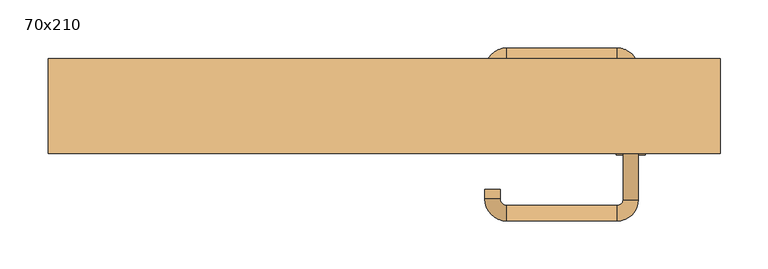
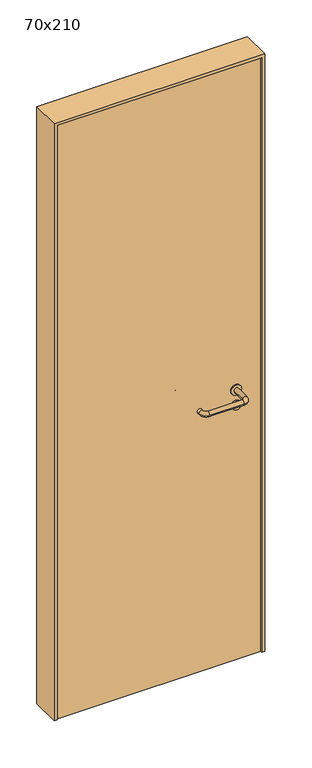
"""IFC4 building model written with IfcOpenShell, lengths in millimetres: door geometry, 70x210."""

from ifc_helpers import new_model, si_unit, point, frame, frame_2d, origin, origin_with_axes, place, context, project, spatial, polyline, circle_curve, ellipse_curve, trimmed, segment, composite_curve, outline, extrude, source, transform, mapped, element, save
from ifc_brep_helpers import plane_surface, cylinder_surface, revolved_surface, advanced_brep


def door_70x210_8dd867a0(model_context):
    return source(origin(), model_context, "Body", "SolidModel", [
        extrude(outline(composite_curve([segment(trimmed(circle_curve(frame_2d((897.3605726, 257.0)), 15.0), [point((897.3605726, 272.0))], [point((897.3605726, 242.0))], False, "CARTESIAN"), True, "CONTINUOUS"), segment(trimmed(circle_curve(frame_2d((897.3605726, 257.0)), 15.0), [point((897.3605726, 242.0))], [point((897.3605726, 272.0))], False, "CARTESIAN"), True, "CONTINUOUS")], self_intersect=False), holes=[composite_curve([segment(trimmed(circle_curve(frame_2d((892.5833211, 256.9398032)), 2.0), [point((892.5833211, 258.9398032))], [point((892.5833211, 254.9398032))], True, "CARTESIAN"), True, "CONTINUOUS"), segment(polyline([(892.5833211, 254.9398032), (902.5833211, 254.9398032)]), True, "CONTINUOUS"), segment(trimmed(circle_curve(frame_2d((902.5833211, 256.9398032)), 2.0), [point((902.5833211, 254.9398032))], [point((902.5833211, 258.9398032))], True, "CARTESIAN"), True, "CONTINUOUS"), segment(polyline([(902.5833211, 258.9398032), (892.5833211, 258.9398032)]), True, "CONTINUOUS")], self_intersect=False)]), frame((0.0, -15.0, 0.0), z_axis=(0.0, 1.0, 0.0), x_axis=(0.0, 0.0, 1.0)), (0.0, 0.0, 1.0), 6.35),
        extrude(outline(composite_curve([segment(trimmed(circle_curve(frame_2d((950.0, 257.0)), 17.526), [point((950.0, 274.526))], [point((950.0, 239.474))], False, "CARTESIAN"), True, "CONTINUOUS"), segment(trimmed(circle_curve(frame_2d((950.0, 257.0)), 17.526), [point((950.0, 239.474))], [point((950.0, 274.526))], False, "CARTESIAN"), True, "CONTINUOUS")], self_intersect=False)), frame((0.0, -15.0, 0.0), z_axis=(0.0, 1.0, 0.0), x_axis=(0.0, 0.0, 1.0)), (0.0, 0.0, 1.0), 3.175),
        advanced_brep(
        [(265.0, -15.0, 950.0), (249.0, -15.0, 950.0), (265.0, 38.0, 950.0), (249.0, 38.0, 950.0), (242.8578644, 44.1421356, 950.0), (242.8578644, 60.1421356, 950.0), (127.8578644, 60.1421356, 950.0), (127.8578644, 44.1421356, 950.0), (121.008622, 37.2928932, 950.0), (105.008622, 37.2928932, 950.0), (105.008622, 27.2928932, 950.0), (121.008622, 27.2928932, 950.0)],
        [
            (0, 1, circle_curve(frame((257.0, -15.0, 950.0), z_axis=(0.0, -1.0, 0.0), x_axis=(-1.0, 0.0, 0.0)), 8.0)),
            (1, 0, circle_curve(frame((257.0, -15.0, 950.0), z_axis=(0.0, -1.0, 0.0), x_axis=(-1.0, 0.0, 0.0)), 8.0)),
            (0, 2),
            (2, 3, circle_curve(frame((257.0, 38.0, 950.0), z_axis=(0.0, -1.0, 0.0), x_axis=(-1.0, 0.0, 0.0)), 8.0)),
            (3, 1),
            (3, 2, circle_curve(frame((257.0, 38.0, 950.0), z_axis=(0.0, -1.0, 0.0), x_axis=(-1.0, 0.0, 0.0)), 8.0)),
            (4, 3, circle_curve(frame((242.8578644, 38.0, 950.0), z_axis=(0.0, 0.0, -1.0), x_axis=(1.0, 0.0, 0.0)), 6.1421356)),
            (2, 5, circle_curve(frame((242.8578644, 38.0, 950.0), z_axis=(0.0, 0.0, 1.0), x_axis=(1.0, 0.0, 0.0)), 22.1421356)),
            (5, 4, circle_curve(frame((242.8578644, 52.1421356, 950.0), z_axis=(1.0, 0.0, 0.0), x_axis=(0.0, -1.0, 0.0)), 8.0)),
            (4, 5, circle_curve(frame((242.8578644, 52.1421356, 950.0), z_axis=(1.0, 0.0, 0.0), x_axis=(0.0, -1.0, 0.0)), 8.0)),
            (5, 6),
            (6, 7, circle_curve(frame((127.8578644, 52.1421356, 950.0), z_axis=(1.0, 0.0, 0.0), x_axis=(0.0, -1.0, 0.0)), 8.0)),
            (7, 4),
            (7, 6, circle_curve(frame((127.8578644, 52.1421356, 950.0), z_axis=(1.0, 0.0, 0.0), x_axis=(0.0, -1.0, 0.0)), 8.0)),
            (8, 7, circle_curve(frame((127.8578644, 37.2928932, 950.0), z_axis=(0.0, 0.0, -1.0), x_axis=(0.0, 1.0, 0.0)), 6.8492424)),
            (6, 9, circle_curve(frame((127.8578644, 37.2928932, 950.0), z_axis=(0.0, 0.0, 1.0), x_axis=(0.0, 1.0, 0.0)), 22.8492424)),
            (9, 8, circle_curve(frame((113.008622, 37.2928932, 950.0), z_axis=(0.0, 1.0, 0.0), x_axis=(1.0, 0.0, 0.0)), 8.0)),
            (8, 9, circle_curve(frame((113.008622, 37.2928932, 950.0), z_axis=(0.0, 1.0, 0.0), x_axis=(1.0, 0.0, 0.0)), 8.0)),
            (10, 11, circle_curve(frame((113.008622, 27.2928932, 950.0), z_axis=(0.0, -1.0, 0.0), x_axis=(1.0, 0.0, 0.0)), 8.0)),
            (11, 10, circle_curve(frame((113.008622, 27.2928932, 950.0), z_axis=(0.0, -1.0, 0.0), x_axis=(1.0, 0.0, 0.0)), 8.0)),
            (9, 10),
            (11, 8),
        ],
        [
            plane_surface(frame((257.0, -15.0, 0.0), z_axis=(0.0, -1.0, 0.0), x_axis=(0.0, 0.0, 1.0))),
            cylinder_surface(frame((257.0, -15.0, 950.0), z_axis=(0.0, -1.0, 0.0), x_axis=(-1.0, 0.0, 0.0)), 8.0),
            revolved_surface(trimmed(ellipse_curve(frame((257.0, 38.0, 950.0), z_axis=(0.0, -1.0, 0.0), x_axis=(-1.0, 0.0, 0.0)), 8.0, 8.0), [point((265.0, 38.0, 950.0))], [point((249.0, 38.0, 950.0))], True, "CARTESIAN"), (242.8578644, 38.0, 0.0), (0.0, 0.0, 1.0)),
            revolved_surface(trimmed(ellipse_curve(frame((257.0, 38.0, 950.0), z_axis=(0.0, -1.0, 0.0), x_axis=(-1.0, 0.0, 0.0)), 8.0, 8.0), [point((249.0, 38.0, 950.0))], [point((265.0, 38.0, 950.0))], True, "CARTESIAN"), (242.8578644, 38.0, 0.0), (0.0, 0.0, 1.0)),
            cylinder_surface(frame((242.8578644, 52.1421356, 950.0), z_axis=(1.0, 0.0, 0.0), x_axis=(0.0, -1.0, 0.0)), 8.0),
            revolved_surface(trimmed(ellipse_curve(frame((127.8578644, 52.1421356, 950.0), z_axis=(1.0, 0.0, 0.0), x_axis=(0.0, -1.0, 0.0)), 8.0, 8.0), [point((127.8578644, 60.1421356, 950.0))], [point((127.8578644, 44.1421356, 950.0))], True, "CARTESIAN"), (127.8578644, 37.2928932, 0.0), (0.0, 0.0, 1.0)),
            revolved_surface(trimmed(ellipse_curve(frame((127.8578644, 52.1421356, 950.0), z_axis=(1.0, 0.0, 0.0), x_axis=(0.0, -1.0, 0.0)), 8.0, 8.0), [point((127.8578644, 44.1421356, 950.0))], [point((127.8578644, 60.1421356, 950.0))], True, "CARTESIAN"), (127.8578644, 37.2928932, 0.0), (0.0, 0.0, 1.0)),
            plane_surface(frame((113.008622, 27.2928932, 0.0), z_axis=(0.0, -1.0, 0.0), x_axis=(0.0, 0.0, 1.0))),
            cylinder_surface(frame((113.008622, 37.2928932, 950.0), z_axis=(0.0, 1.0, 0.0), x_axis=(1.0, 0.0, 0.0)), 8.0),
        ],
        [
            (0, [[1, 2]]),
            (1, [[-1, 3, 4, 5]]),
            (1, [[-2, -5, 6, -3]]),
            (2, [[7, -4, 8, 9]]),
            (3, [[-8, -6, -7, 10]]),
            (4, [[-9, 11, 12, 13]]),
            (4, [[-10, -13, 14, -11]]),
            (5, [[15, -12, 16, 17]]),
            (6, [[-16, -14, -15, 18]]),
            (7, [[19, 20]]),
            (8, [[-17, 21, -20, 22]]),
            (8, [[-18, -22, -19, -21]]),
        ],
    ),
        extrude(outline(composite_curve([segment(trimmed(circle_curve(frame_2d((0.0, 15.0)), 15.0), [point((0.0, 30.0))], [point((0.0, 0.0))], False, "CARTESIAN"), True, "CONTINUOUS"), segment(trimmed(circle_curve(frame_2d((0.0, 15.0)), 15.0), [point((0.0, 0.0))], [point((0.0, 30.0))], False, "CARTESIAN"), True, "CONTINUOUS")], self_intersect=False), holes=[composite_curve([segment(trimmed(circle_curve(frame_2d((-4.7772515, 14.9398032)), 2.0), [point((-4.7772515, 16.9398032))], [point((-4.7772515, 12.9398032))], True, "CARTESIAN"), True, "CONTINUOUS"), segment(polyline([(-4.7772515, 12.9398032), (5.2227485, 12.9398032)]), True, "CONTINUOUS"), segment(trimmed(circle_curve(frame_2d((5.2227485, 14.9398032)), 2.0), [point((5.2227485, 12.9398032))], [point((5.2227485, 16.9398032))], True, "CARTESIAN"), True, "CONTINUOUS"), segment(polyline([(5.2227485, 16.9398032), (-4.7772515, 16.9398032)]), True, "CONTINUOUS")], self_intersect=False)]), frame((242.0, -51.35, 897.3605726), z_axis=(-1.8870575173328306e-12, 1.0, 0.0), x_axis=(0.0, 0.0, 1.0)), (0.0, 0.0, 1.0), 6.35),
        extrude(outline(composite_curve([segment(trimmed(circle_curve(frame_2d((0.0, 17.526)), 17.526), [point((0.0, 35.052))], [point((0.0, 0.0))], False, "CARTESIAN"), True, "CONTINUOUS"), segment(trimmed(circle_curve(frame_2d((0.0, 17.526)), 17.526), [point((0.0, 0.0))], [point((0.0, 35.052))], False, "CARTESIAN"), True, "CONTINUOUS")], self_intersect=False)), frame((239.474, -48.175, 950.0), z_axis=(-1.8870575173328306e-12, 1.0, 0.0), x_axis=(0.0, 0.0, 1.0)), (0.0, 0.0, 1.0), 3.175),
        advanced_brep(
        [(265.0, -45.0, 950.0), (249.0, -45.0, 950.0), (249.0, -98.0, 950.0), (265.0, -98.0, 950.0), (242.8578644, -104.1421356, 950.0), (242.8578644, -120.1421356, 950.0), (127.8578644, -104.1421356, 950.0), (127.8578644, -120.1421356, 950.0), (121.008622, -97.2928932, 950.0), (105.008622, -97.2928932, 950.0), (105.008622, -87.2928932, 950.0), (121.008622, -87.2928932, 950.0)],
        [
            (0, 1, circle_curve(frame((257.0, -45.0, 950.0), z_axis=(-1.888672253512351e-12, 1.0, 0.0), x_axis=(-1.0, -1.888672253512351e-12, 0.0)), 8.0)),
            (1, 0, circle_curve(frame((257.0, -45.0, 950.0), z_axis=(-1.888672253512351e-12, 1.0, 0.0), x_axis=(-1.0, -1.888672253512351e-12, 0.0)), 8.0)),
            (1, 2),
            (2, 3, circle_curve(frame((257.0, -98.0, 950.0), z_axis=(-1.888672253512351e-12, 1.0, 0.0), x_axis=(-1.0, -1.888672253512351e-12, 0.0)), 8.0)),
            (3, 0),
            (3, 2, circle_curve(frame((257.0, -98.0, 950.0), z_axis=(-1.888672253512351e-12, 1.0, 0.0), x_axis=(-1.0, -1.888672253512351e-12, 0.0)), 8.0)),
            (4, 5, circle_curve(frame((242.8578644, -112.1421356, 950.0), z_axis=(1.0, 1.913702061528922e-12, 0.0), x_axis=(-1.913702061528922e-12, 1.0, 0.0)), 8.0)),
            (5, 3, circle_curve(frame((242.8578644, -98.0, 950.0), z_axis=(0.0, 0.0, 1.0), x_axis=(1.0, 1.880717803715015e-12, 0.0)), 22.1421356)),
            (2, 4, circle_curve(frame((242.8578644, -98.0, 950.0), z_axis=(0.0, 0.0, -1.0), x_axis=(1.0, 1.880717803715015e-12, 0.0)), 6.1421356)),
            (5, 4, circle_curve(frame((242.8578644, -112.1421356, 950.0), z_axis=(1.0, 1.913702061528922e-12, 0.0), x_axis=(-1.913702061528922e-12, 1.0, 0.0)), 8.0)),
            (4, 6),
            (6, 7, circle_curve(frame((127.8578644, -112.1421356, 950.0), z_axis=(1.0, 1.913719828541269e-12, 0.0), x_axis=(-1.913719828541269e-12, 1.0, 0.0)), 8.0)),
            (7, 5),
            (7, 6, circle_curve(frame((127.8578644, -112.1421356, 950.0), z_axis=(1.0, 1.913719828541269e-12, 0.0), x_axis=(-1.913719828541269e-12, 1.0, 0.0)), 8.0)),
            (8, 9, circle_curve(frame((113.008622, -97.2928932, 950.0), z_axis=(1.8888942981172756e-12, -1.0, 0.0), x_axis=(1.0, 1.8888942981172756e-12, 0.0)), 8.0)),
            (9, 7, circle_curve(frame((127.8578644, -97.2928932, 950.0), z_axis=(0.0, 0.0, 1.0), x_axis=(1.9120873253494017e-12, -1.0, 0.0)), 22.8492424)),
            (6, 8, circle_curve(frame((127.8578644, -97.2928932, 950.0), z_axis=(0.0, 0.0, -1.0), x_axis=(1.9120873253494017e-12, -1.0, 0.0)), 6.8492424)),
            (9, 8, circle_curve(frame((113.008622, -97.2928932, 950.0), z_axis=(1.890448610351751e-12, -1.0, 0.0), x_axis=(1.0, 1.890448610351751e-12, 0.0)), 8.0)),
            (10, 11, circle_curve(frame((113.008622, -87.2928932, 950.0), z_axis=(-1.8903642334018795e-12, 1.0, 0.0), x_axis=(1.0, 1.8903642334018795e-12, 0.0)), 8.0)),
            (11, 10, circle_curve(frame((113.008622, -87.2928932, 950.0), z_axis=(-1.8903642334018795e-12, 1.0, 0.0), x_axis=(1.0, 1.8903642334018795e-12, 0.0)), 8.0)),
            (8, 11),
            (10, 9),
        ],
        [
            plane_surface(frame((257.0, -45.0, 0.0), z_axis=(-1.8870575173328306e-12, 1.0, 0.0), x_axis=(0.0, 0.0, 1.0))),
            cylinder_surface(frame((257.0, -45.0, 950.0), z_axis=(-1.888672253512351e-12, 1.0, 0.0), x_axis=(-1.0, -1.888672253512351e-12, 0.0)), 8.0),
            revolved_surface(trimmed(ellipse_curve(frame((257.0, -98.0, 950.0), z_axis=(1.8823325398945356e-12, -1.0, 0.0), x_axis=(-1.0, -1.8823325398945356e-12, 0.0)), 8.0, 8.0), [point((265.0, -98.0, 950.0))], [point((249.0, -98.0, 950.0))], True, "CARTESIAN"), (242.8578644, -98.0, 0.0), (0.0, 0.0, 1.0)),
            revolved_surface(trimmed(ellipse_curve(frame((257.0, -98.0, 950.0), z_axis=(1.8823325398945356e-12, -1.0, 0.0), x_axis=(-1.0, -1.8823325398945356e-12, 0.0)), 8.0, 8.0), [point((249.0, -98.0, 950.0))], [point((265.0, -98.0, 950.0))], True, "CARTESIAN"), (242.8578644, -98.0, 0.0), (0.0, 0.0, 1.0)),
            cylinder_surface(frame((242.8578644, -112.1421356, 950.0), z_axis=(1.0, 1.913719828541269e-12, 0.0), x_axis=(-1.913719828541269e-12, 1.0, 0.0)), 8.0),
            revolved_surface(trimmed(ellipse_curve(frame((127.8578644, -112.1421356, 950.0), z_axis=(-1.0, -1.913702061528922e-12, 0.0), x_axis=(-1.913702061528922e-12, 1.0, 0.0)), 8.0, 8.0), [point((127.8578644, -120.1421356, 950.0))], [point((127.8578644, -104.1421356, 950.0))], True, "CARTESIAN"), (127.8578644, -97.2928932, 0.0), (0.0, 0.0, 1.0)),
            revolved_surface(trimmed(ellipse_curve(frame((127.8578644, -112.1421356, 950.0), z_axis=(-1.0, -1.913702061528922e-12, 0.0), x_axis=(-1.913702061528922e-12, 1.0, 0.0)), 8.0, 8.0), [point((127.8578644, -104.1421356, 950.0))], [point((127.8578644, -120.1421356, 950.0))], True, "CARTESIAN"), (127.8578644, -97.2928932, 0.0), (0.0, 0.0, 1.0)),
            plane_surface(frame((113.008622, -87.2928932, 0.0), z_axis=(-1.8887494972223595e-12, 1.0, 0.0), x_axis=(0.0, 0.0, 1.0))),
            cylinder_surface(frame((113.008622, -97.2928932, 950.0), z_axis=(1.8903642334018795e-12, -1.0, 0.0), x_axis=(1.0, 1.8903642334018795e-12, 0.0)), 8.0),
        ],
        [
            (0, [[1, 2]]),
            (1, [[3, 4, 5, -2]]),
            (1, [[-5, 6, -3, -1]]),
            (2, [[7, 8, -4, 9]]),
            (3, [[10, -9, -6, -8]]),
            (4, [[11, 12, 13, -7]]),
            (4, [[-13, 14, -11, -10]]),
            (5, [[15, 16, -12, 17]]),
            (6, [[18, -17, -14, -16]]),
            (7, [[19, 20]]),
            (8, [[21, -19, 22, -15]]),
            (8, [[-22, -20, -21, -18]]),
        ],
    ),
        extrude(outline(polyline([(2090.0, 340.0), (0.0, 340.0), (0.0, 350.0), (2100.0, 350.0), (2100.0, -350.0), (0.0, -350.0), (0.0, -340.0), (2090.0, -340.0), (2090.0, 340.0)])), frame((0.0, -50.0, 0.0), z_axis=(0.0, 1.0, 0.0), x_axis=(0.0, 0.0, 1.0)), (0.0, 0.0, 1.0), 99.0),
        extrude(outline(polyline([(-340.0, -45.0), (-340.0, -15.0), (340.0, -15.0), (340.0, -45.0), (-340.0, -45.0)])), origin_with_axes(), (0.0, 0.0, 1.0), 2090.0),
    ])


if __name__ == "__main__":
    model = new_model("IFC4")
    model_context = context("Model", 3, world=origin())
    ifc_project = project(units=[si_unit("LENGTHUNIT", "METRE", prefix="MILLI")], contexts=[model_context])
    site = spatial("IfcSite", under=ifc_project)
    building = spatial("IfcBuilding", under=site)
    placement = place(None, origin())
    door_70x210_shape = door_70x210_8dd867a0(model_context)
    element("IfcDoor", 1, ObjectType="70x210", at=placement, inside=building, context=model_context, shape_type="MappedRepresentation", body=[
        mapped(door_70x210_shape, transform((0.0, 0.0, 0.0), x_axis=(1.0, 0.0, 0.0), y_axis=(0.0, 1.0, 0.0), z_axis=(0.0, 0.0, 1.0))),
    ])
    save(model, "model.ifc")
